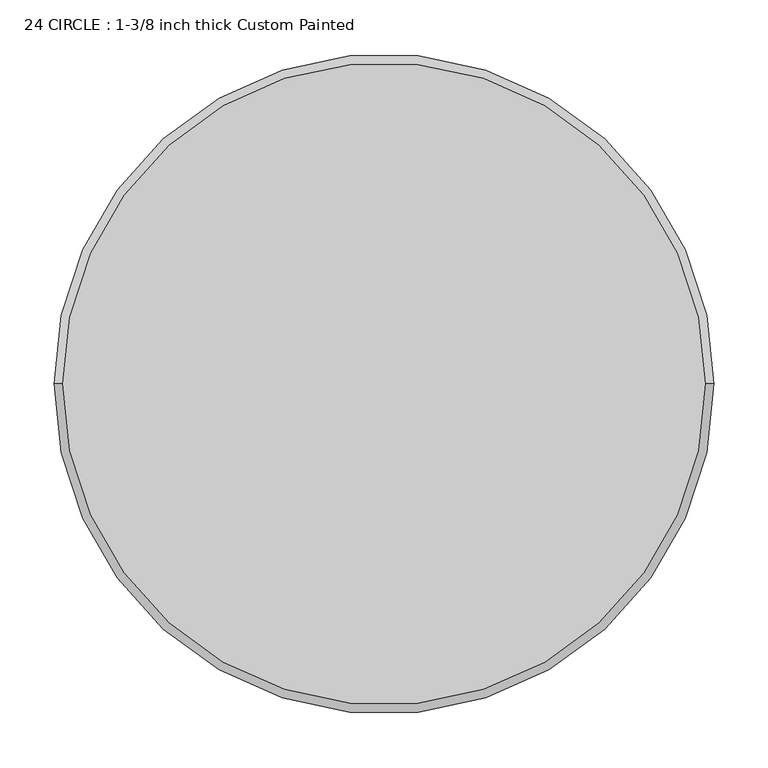
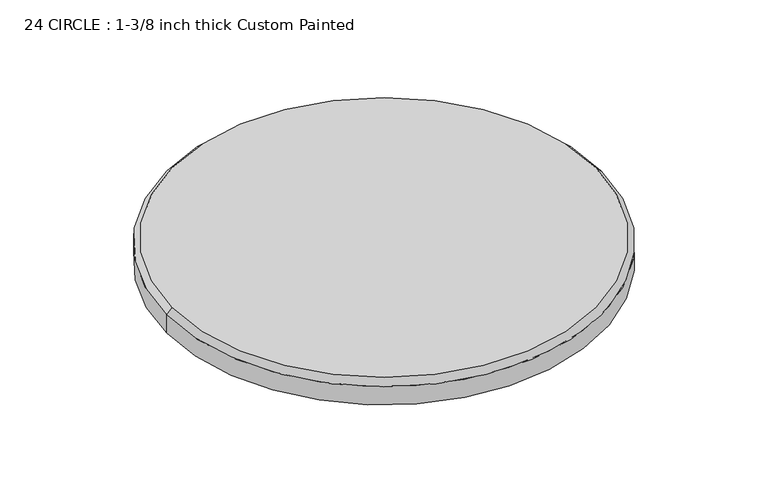
"""IFC4 building model written with IfcOpenShell, lengths in millimetres: proxy geometry, 24 CIRCLE : 1-3/8 inch thick Custom Painted."""

from ifc_helpers import new_model, si_unit, frame, origin, origin_with_axes, place, context, project, spatial, polyline, circle_curve, source, transform, mapped, element, save
from ifc_brep_helpers import plane_surface, cylinder_surface, revolved_surface, advanced_brep


def proxy_24_circle_1_3_8_inch_thick_custom_painted_aa7763e6(model_context):
    return source(origin(), model_context, "Body", "AdvancedBrep", [
        advanced_brep(
        [(-296.799, 0.0, 34.925), (296.799, 0.0, 34.925), (-304.8, 0.0, 0.0), (304.8, 0.0, 0.0), (304.8, 0.0, 26.924), (-304.8, 0.0, 26.924)],
        [
            (0, 1, circle_curve(frame((0.0, 0.0, 34.925), z_axis=(0.0, 0.0, 1.0), x_axis=(-1.0, 0.0, 0.0)), 296.799)),
            (1, 0, circle_curve(frame((0.0, 0.0, 34.925), z_axis=(0.0, 0.0, 1.0), x_axis=(1.0, 0.0, 0.0)), 296.799)),
            (2, 3, circle_curve(frame((0.0, 0.0, 0.0), z_axis=(0.0, 0.0, -1.0), x_axis=(1.0, 0.0, 0.0)), 304.8)),
            (3, 2, circle_curve(frame((0.0, 0.0, 0.0), z_axis=(0.0, 0.0, -1.0), x_axis=(1.0, 0.0, 0.0)), 304.8)),
            (3, 4),
            (4, 5, circle_curve(frame((0.0, 0.0, 26.924), z_axis=(0.0, 0.0, -1.0), x_axis=(1.0, 0.0, 0.0)), 304.8)),
            (5, 2),
            (5, 4, circle_curve(frame((0.0, 0.0, 26.924), z_axis=(0.0, 0.0, -1.0), x_axis=(1.0, 0.0, 0.0)), 304.8)),
            (4, 1),
            (0, 5),
        ],
        [
            plane_surface(frame((304.8, 0.0, 34.925), z_axis=(0.0, 0.0, 1.0), x_axis=(0.0, 1.0, 0.0))),
            plane_surface(frame((304.8, 0.0, 0.0), z_axis=(0.0, 0.0, -1.0), x_axis=(0.0, -1.0, 0.0))),
            cylinder_surface(origin_with_axes(), 304.8),
            revolved_surface(polyline([(-304.8, 0.0, 26.924), (-296.799, 0.0, 34.925)]), (0.0, 0.0, 34.925), (0.0, 0.0, 1.0)),
            revolved_surface(polyline([(304.8, 0.0, 26.924), (296.799, 0.0, 34.925)]), (0.0, 0.0, 34.925), (0.0, 0.0, 1.0)),
        ],
        [
            (0, [[1, 2]]),
            (1, [[3, 4]]),
            (2, [[-4, 5, 6, 7]]),
            (2, [[-3, -7, 8, -5]]),
            (3, [[9, -1, 10, -6]]),
            (4, [[-9, -8, -10, -2]]),
        ],
    ),
    ])


if __name__ == "__main__":
    model = new_model("IFC4")
    model_context = context("Model", 3, world=origin())
    ifc_project = project(units=[si_unit("LENGTHUNIT", "METRE", prefix="MILLI")], contexts=[model_context])
    site = spatial("IfcSite", under=ifc_project)
    building = spatial("IfcBuilding", under=site)
    placement = place(None, origin())
    proxy_24_circle_1_3_8_inch_thick_custom_painted_shape = proxy_24_circle_1_3_8_inch_thick_custom_painted_aa7763e6(model_context)
    element("IfcBuildingElementProxy", 1, Name="24 CIRCLE : 1-3/8 inch thick Custom Painted", ObjectType="24 CIRCLE : 1-3/8 inch thick Custom Painted", at=placement, inside=building, context=model_context, shape_type="MappedRepresentation", body=[
        mapped(proxy_24_circle_1_3_8_inch_thick_custom_painted_shape, transform((0.0, 0.0, 0.0), x_axis=(1.0, 0.0, 0.0), y_axis=(0.0, 1.0, 0.0), z_axis=(0.0, 0.0, 1.0))),
    ])
    save(model, "model.ifc")
